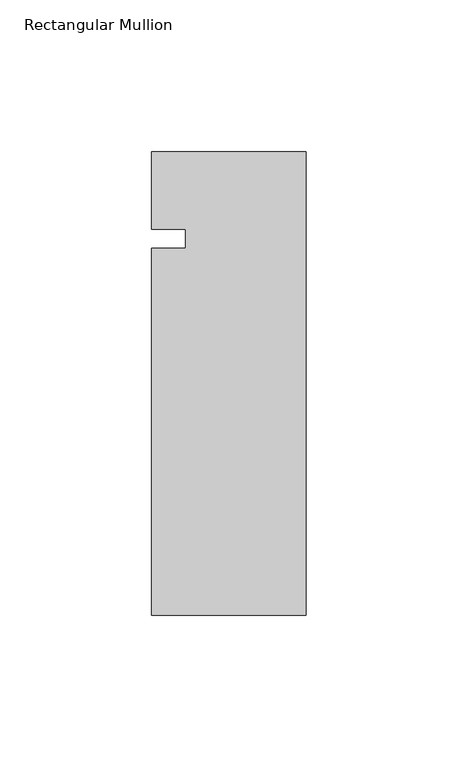
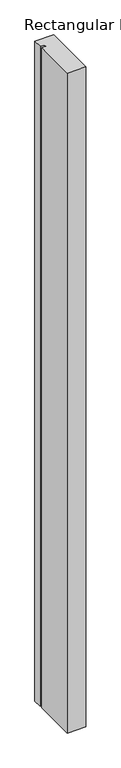
"""IFC4 building model written with IfcOpenShell, lengths in millimetres: member geometry, Rectangular Mullion."""

from ifc_helpers import new_model, si_unit, frame, origin, place, context, project, spatial, polyline, outline, extrude, source, transform, mapped, element, save


def rectangular_mullion_b5edd0c5(model_context):
    return source(origin(), model_context, "Body", "SweptSolid", [
        extrude(outline(polyline([(-50.8, -31.75), (-39.7002, -31.75), (-39.7002, -25.4), (-50.8, -25.4), (-50.8, 0.0), (0.0, 0.0), (0.0, -152.4), (-50.8, -152.4), (-50.8, -31.75)])), frame((0.0, 0.0, -1904.999416), z_axis=(0.0, 0.0, 1.0), x_axis=(1.0, 0.0, 0.0)), (0.0, 0.0, 1.0), 1904.999416),
    ])


if __name__ == "__main__":
    model = new_model("IFC4")
    model_context = context("Model", 3, world=origin())
    ifc_project = project(units=[si_unit("LENGTHUNIT", "METRE", prefix="MILLI")], contexts=[model_context])
    site = spatial("IfcSite", under=ifc_project)
    building = spatial("IfcBuilding", under=site)
    placement = place(None, origin())
    rectangular_mullion_shape = rectangular_mullion_b5edd0c5(model_context)
    element("IfcMember", 1, ObjectType="Rectangular Mullion", at=placement, inside=building, context=model_context, shape_type="MappedRepresentation", body=[
        mapped(rectangular_mullion_shape, transform((0.0, 0.0, 0.0), x_axis=(1.0, 0.0, 0.0), y_axis=(0.0, 1.0, 0.0), z_axis=(0.0, 0.0, 1.0))),
    ])
    save(model, "model.ifc")
